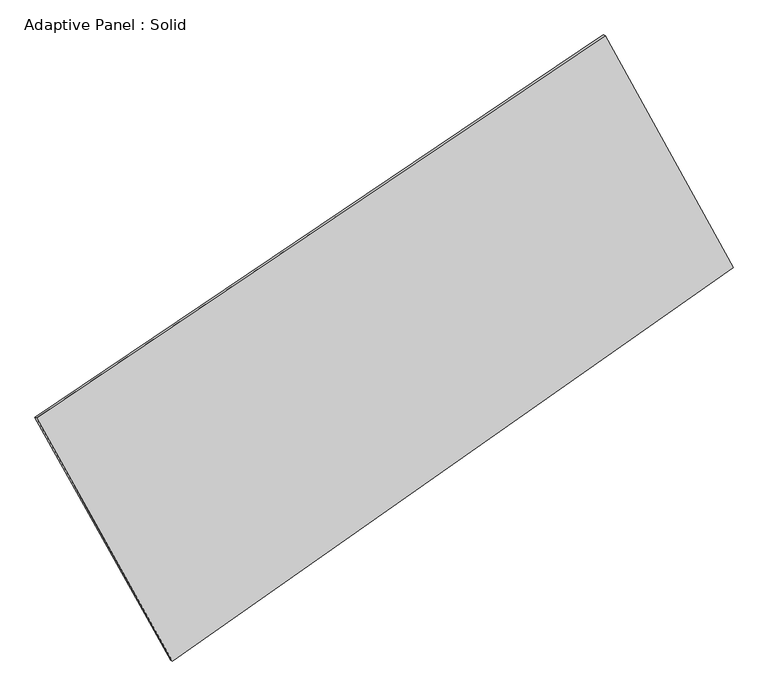
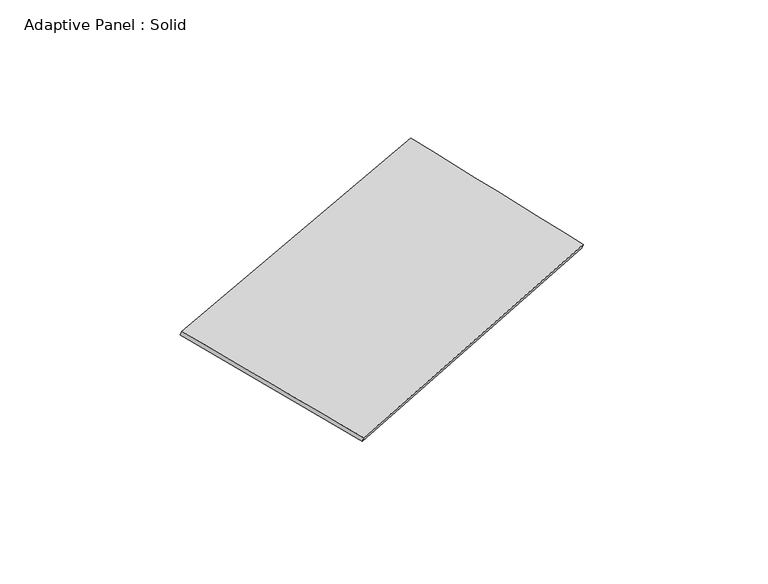
"""IFC4 building model written with IfcOpenShell, lengths in millimetres: plate geometry, Adaptive Panel : Solid."""

from ifc_helpers import new_model, si_unit, frame, origin, place, context, project, spatial, source, transform, mapped, element, save
from ifc_brep_helpers import plane_surface, spline_surface, advanced_brep


def adaptive_panel_solid_298a06ce(model_context):
    return source(origin(), model_context, "Body", "AdvancedBrep", [
        advanced_brep(
        [(1196.959614, 2525.1050324, 670.2176739), (-3614.556405, -713.5708132, 1689.4842011), (-3599.8900492, -719.9509066, 1736.8571091), (1211.6259699, 2518.7249389, 717.590582), (-2466.5428506, -2772.6320766, 1090.1958019), (-2451.8764948, -2779.0121701, 1137.56871), (2280.8490635, 560.8492845, 35.2248432), (2295.5154193, 554.4691911, 82.5977513)],
        [
            (0, 1),
            (1, 2),
            (2, 3),
            (3, 0),
            (1, 4),
            (4, 5),
            (5, 2),
            (4, 6),
            (6, 7),
            (7, 5),
            (6, 0),
            (3, 7),
        ],
        [
            plane_surface(frame((-1208.7983955, 905.7671096, 1179.8509375), z_axis=(-0.49899241990947535, 0.8249077504056687, 0.26558194252159734), x_axis=(-0.8170546075403016, -0.5499669982230734, 0.17308399453059164))),
            plane_surface(frame((-3040.5496278, -1743.1014449, 1389.8400015), z_axis=(-0.8335284877604496, -0.5194718602016728, 0.18809371746656472), x_axis=(0.4719576399578048, -0.8464967078738822, -0.2463722988571126))),
            plane_surface(frame((-92.8468936, -1105.891396, 562.7103226), z_axis=(0.5128501447324482, -0.815380069678639, -0.26858903741360196), x_axis=(0.8051888693533555, 0.5653803470996297, -0.1789300080561316))),
            plane_surface(frame((1738.9043387, 1542.9771585, 352.7212586), z_axis=(0.8330228859434036, 0.520383128777777, -0.18781445838373267), x_axis=(-0.4648704794098596, 0.8424517017532323, 0.27234273918415813))),
            spline_surface(1, 1, [[(-3599.8900492, -719.9509066, 1736.8571091), (1211.6259699, 2518.7249389, 717.590582)], [(-2451.8764948, -2779.0121701, 1137.56871), (2295.5154193, 554.4691911, 82.5977513)]], [2, 2], [2, 2], [0.0, 1.0], [0.0, 1.0]),
            spline_surface(1, 1, [[(2280.8490635, 560.8492845, 35.2248432), (1196.959614, 2525.1050324, 670.2176739)], [(-2466.5428506, -2772.6320766, 1090.1958019), (-3614.556405, -713.5708132, 1689.4842011)]], [2, 2], [2, 2], [0.0, 1.0], [0.0, 1.0]),
        ],
        [
            (0, [[1, 2, 3, 4]]),
            (1, [[5, 6, 7, -2]]),
            (2, [[8, 9, 10, -6]]),
            (3, [[11, -4, 12, -9]]),
            (4, [[-3, -7, -10, -12]]),
            (5, [[-11, -8, -5, -1]]),
        ],
    ),
    ])


if __name__ == "__main__":
    model = new_model("IFC4")
    model_context = context("Model", 3, world=origin())
    ifc_project = project(units=[si_unit("LENGTHUNIT", "METRE", prefix="MILLI")], contexts=[model_context])
    site = spatial("IfcSite", under=ifc_project)
    building = spatial("IfcBuilding", under=site)
    placement = place(None, origin())
    adaptive_panel_solid_shape = adaptive_panel_solid_298a06ce(model_context)
    element("IfcPlate", 1, ObjectType="Adaptive Panel : Solid", at=placement, inside=building, context=model_context, shape_type="MappedRepresentation", body=[
        mapped(adaptive_panel_solid_shape, transform((0.0, 0.0, 0.0), x_axis=(1.0, 0.0, 0.0), y_axis=(0.0, 1.0, 0.0), z_axis=(0.0, 0.0, 1.0))),
    ])
    save(model, "model.ifc")
